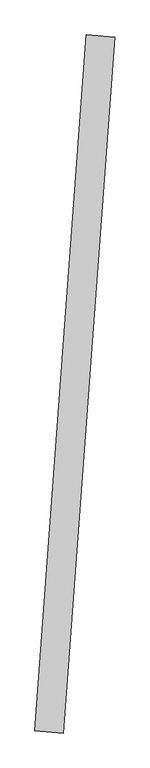
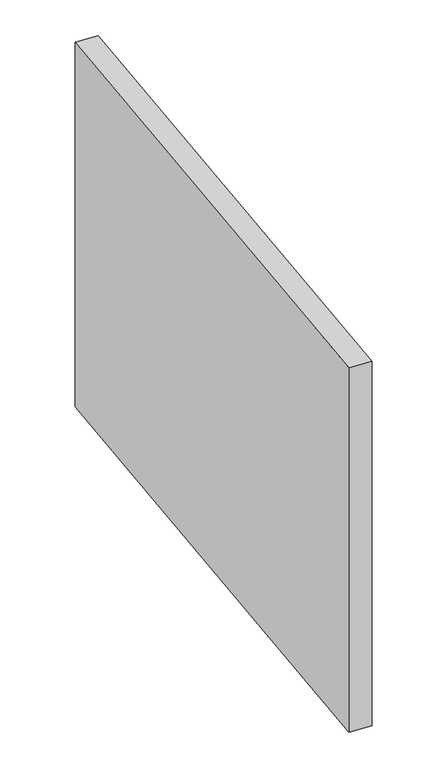
"""IFC4 building model written with IfcOpenShell, lengths in millimetres: proxy geometry."""

from ifc_helpers import new_model, si_unit, origin, origin_with_axes, place, context, project, spatial, polyline, outline, extrude, source, transform, mapped, element, save


def generic_models_57688f6c(model_context):
    return source(origin(), model_context, "Body", "SweptSolid", [
        extrude(outline(polyline([(144694.78178, 10665.4531474), (144599.5105718, 9373.5612956), (144546.5960546, 9377.463503), (144641.8672628, 10669.3553548), (144694.78178, 10665.4531474)])), origin_with_axes(), (0.0, 0.0, 1.0), 914.4),
    ])


if __name__ == "__main__":
    model = new_model("IFC4")
    model_context = context("Model", 3, world=origin())
    ifc_project = project(units=[si_unit("LENGTHUNIT", "METRE", prefix="MILLI")], contexts=[model_context])
    site = spatial("IfcSite", under=ifc_project)
    building = spatial("IfcBuilding", under=site)
    placement = place(None, origin())
    generic_models_shape = generic_models_57688f6c(model_context)
    element("IfcBuildingElementProxy", 1, Name="Generic Models", at=placement, inside=building, context=model_context, shape_type="MappedRepresentation", body=[
        mapped(generic_models_shape, transform((0.0, 0.0, 0.0), x_axis=(1.0, 0.0, 0.0), y_axis=(0.0, 1.0, 0.0), z_axis=(0.0, 0.0, 1.0))),
    ])
    save(model, "model.ifc")
